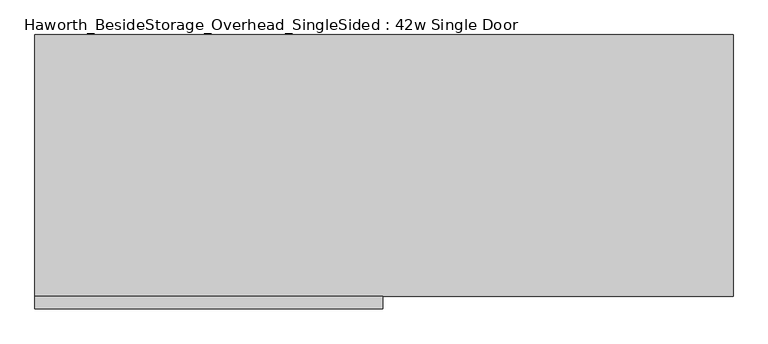
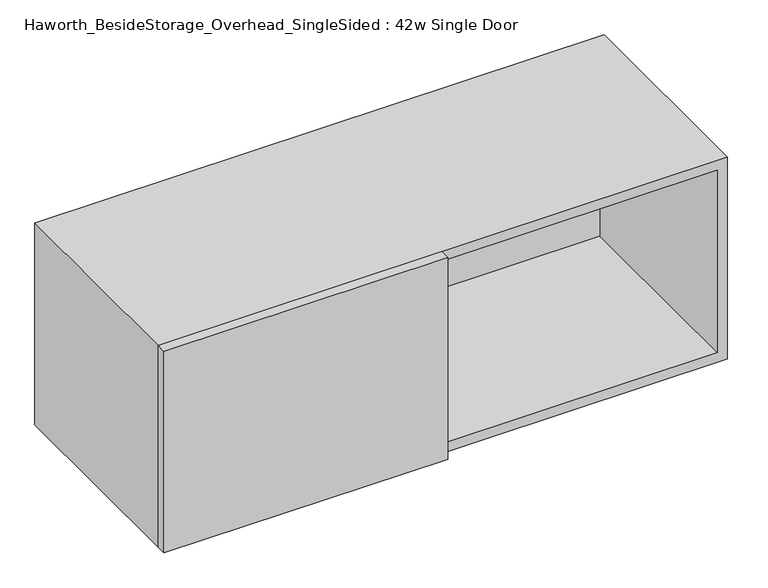
"""IFC4 building model written with IfcOpenShell, lengths in millimetres: furniture geometry, Haworth_BesideStorage_Overhead_SingleSided : 42w Single Door."""

from ifc_helpers import new_model, si_unit, frame, origin, place, context, project, spatial, polyline, outline, extrude, source, transform, mapped, element, save


def haworth_besidestorage_overhead_singlesided_42w_single_door_4ebb00a6(model_context):
    return source(origin(), model_context, "Body", "SweptSolid", [
        extrude(outline(polyline([(163.5125, -419.1), (-368.3, -419.1), (-368.3, -400.05), (163.5125, -400.05), (163.5125, -419.1)])), frame((0.0, 0.0, 762.0), z_axis=(0.0, 0.0, 1.0), x_axis=(1.0, 0.0, 0.0)), (0.0, 0.0, 1.0), 400.05),
        extrude(outline(polyline([(174.625, -400.05), (155.575, -400.05), (155.575, -19.05), (174.625, -19.05), (174.625, -400.05)])), frame((0.0, 0.0, 781.05), z_axis=(0.0, 0.0, 1.0), x_axis=(1.0, 0.0, 0.0)), (0.0, 0.0, 1.0), 361.95),
        extrude(outline(polyline([(679.45, -19.05), (-349.25, -19.05), (-349.25, 0.0), (679.45, 0.0), (679.45, -19.05)])), frame((0.0, 0.0, 781.05), z_axis=(0.0, 0.0, 1.0), x_axis=(1.0, 0.0, 0.0)), (0.0, 0.0, 1.0), 361.95),
        extrude(outline(polyline([(762.0, 698.5), (1162.05, 698.5), (1162.05, -368.3), (762.0, -368.3), (762.0, 698.5)]), holes=[polyline([(1143.0, 679.45), (781.05, 679.45), (781.05, -349.25), (1143.0, -349.25), (1143.0, 679.45)])]), frame((0.0, -400.05, 0.0), z_axis=(0.0, 1.0, 0.0), x_axis=(0.0, 0.0, 1.0)), (0.0, 0.0, 1.0), 400.05),
    ])


if __name__ == "__main__":
    model = new_model("IFC4")
    model_context = context("Model", 3, world=origin())
    ifc_project = project(units=[si_unit("LENGTHUNIT", "METRE", prefix="MILLI")], contexts=[model_context])
    site = spatial("IfcSite", under=ifc_project)
    building = spatial("IfcBuilding", under=site)
    placement = place(None, origin())
    haworth_besidestorage_overhead_singlesided_42w_single_door_shape = haworth_besidestorage_overhead_singlesided_42w_single_door_4ebb00a6(model_context)
    element("IfcFurniture", 1, ObjectType="Haworth_BesideStorage_Overhead_SingleSided : 42w Single Door", at=placement, inside=building, context=model_context, shape_type="MappedRepresentation", body=[
        mapped(haworth_besidestorage_overhead_singlesided_42w_single_door_shape, transform((0.0, 0.0, 0.0), x_axis=(1.0, 0.0, 0.0), y_axis=(0.0, 1.0, 0.0), z_axis=(0.0, 0.0, 1.0))),
    ])
    save(model, "model.ifc")
